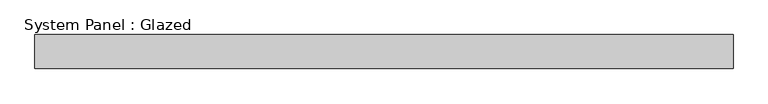
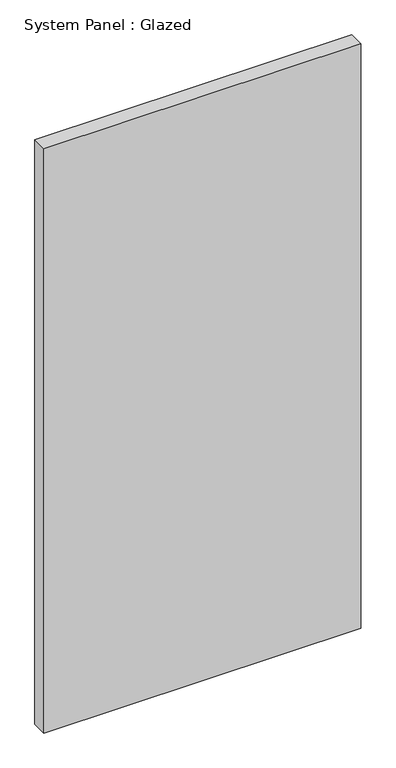
"""IFC4 building model written with IfcOpenShell, lengths in millimetres: plate geometry, System Panel : Glazed."""

from ifc_helpers import new_model, si_unit, origin, origin_with_axes, place, context, project, spatial, polyline, outline, extrude, source, transform, mapped, element, save


def system_panel_glazed_48ebbdc6(model_context):
    return source(origin(), model_context, "Body", "SweptSolid", [
        extrude(outline(polyline([(1025.5134151, 50.0), (-1025.5134151, 50.0), (-1025.5134151, 150.0), (1025.5134151, 150.0), (1025.5134151, 50.0)])), origin_with_axes(), (0.0, 0.0, 1.0), 4000.0),
    ])


if __name__ == "__main__":
    model = new_model("IFC4")
    model_context = context("Model", 3, world=origin())
    ifc_project = project(units=[si_unit("LENGTHUNIT", "METRE", prefix="MILLI")], contexts=[model_context])
    site = spatial("IfcSite", under=ifc_project)
    building = spatial("IfcBuilding", under=site)
    placement = place(None, origin())
    system_panel_glazed_shape = system_panel_glazed_48ebbdc6(model_context)
    element("IfcPlate", 1, ObjectType="System Panel : Glazed", at=placement, inside=building, context=model_context, shape_type="MappedRepresentation", body=[
        mapped(system_panel_glazed_shape, transform((0.0, 0.0, 0.0), x_axis=(1.0, 0.0, 0.0), y_axis=(0.0, 1.0, 0.0), z_axis=(0.0, 0.0, 1.0))),
    ])
    save(model, "model.ifc")
